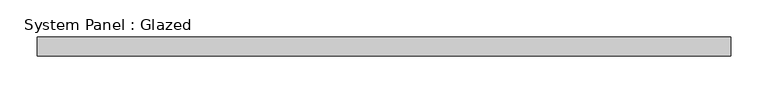
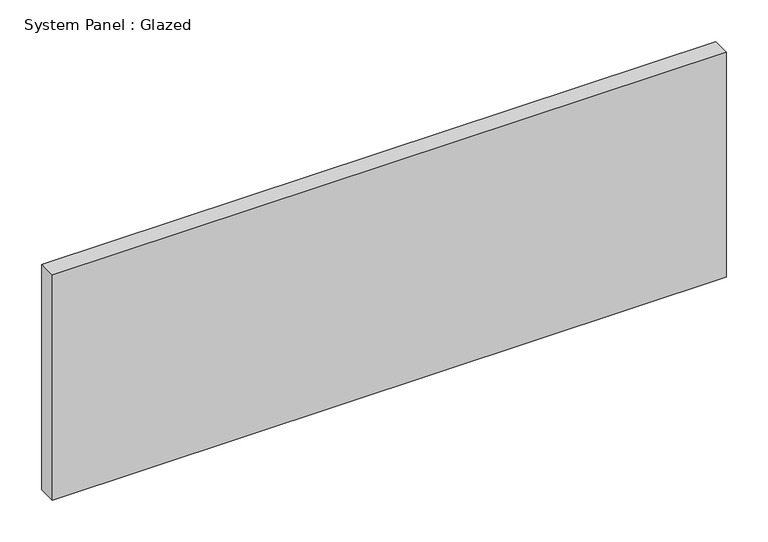
"""IFC4 building model written with IfcOpenShell, lengths in millimetres: plate geometry, System Panel : Glazed."""

from ifc_helpers import new_model, si_unit, origin, origin_with_axes, place, context, project, spatial, polyline, outline, extrude, source, transform, mapped, element, save


def system_panel_glazed_ec1f81c2(model_context):
    return source(origin(), model_context, "Body", "SweptSolid", [
        extrude(outline(polyline([(466.725, -12.7), (-466.725, -12.7), (-466.725, 12.7), (466.725, 12.7), (466.725, -12.7)])), origin_with_axes(), (0.0, 0.0, 1.0), 329.7),
    ])


if __name__ == "__main__":
    model = new_model("IFC4")
    model_context = context("Model", 3, world=origin())
    ifc_project = project(units=[si_unit("LENGTHUNIT", "METRE", prefix="MILLI")], contexts=[model_context])
    site = spatial("IfcSite", under=ifc_project)
    building = spatial("IfcBuilding", under=site)
    placement = place(None, origin())
    system_panel_glazed_shape = system_panel_glazed_ec1f81c2(model_context)
    element("IfcPlate", 1, ObjectType="System Panel : Glazed", at=placement, inside=building, context=model_context, shape_type="MappedRepresentation", body=[
        mapped(system_panel_glazed_shape, transform((0.0, 0.0, 0.0), x_axis=(1.0, 0.0, 0.0), y_axis=(0.0, 1.0, 0.0), z_axis=(0.0, 0.0, 1.0))),
    ])
    save(model, "model.ifc")
